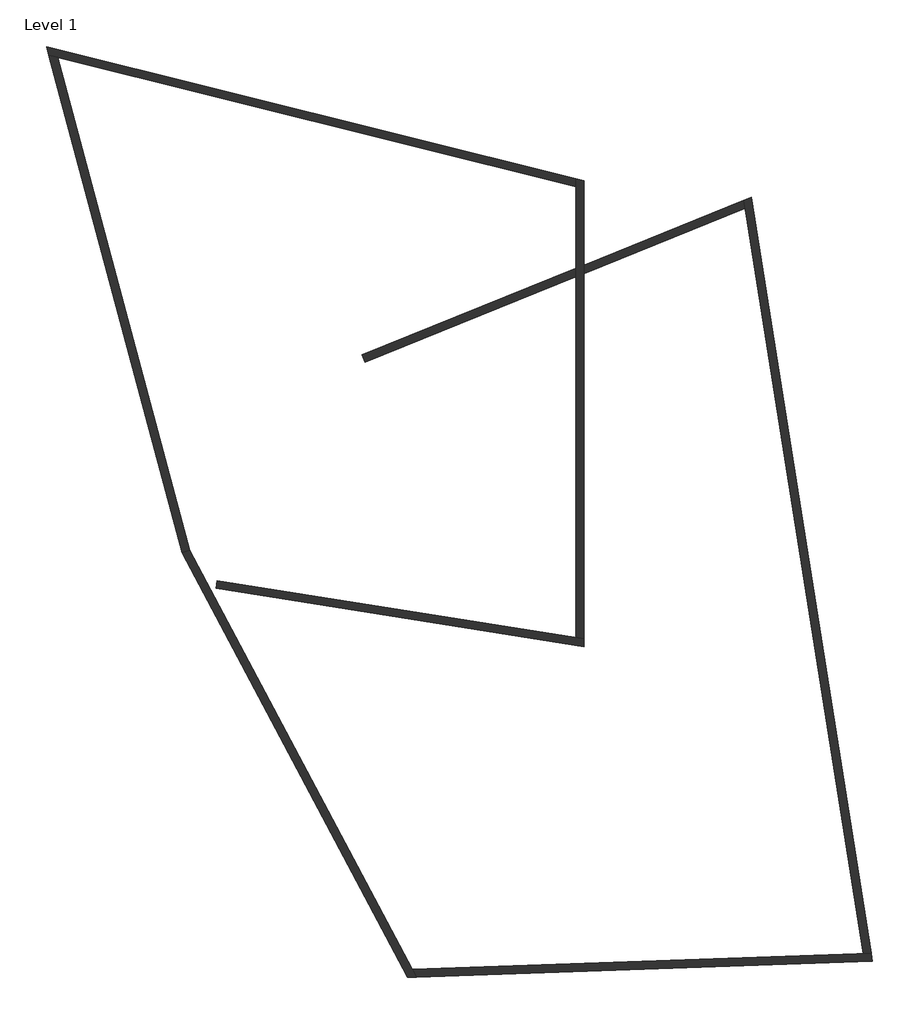
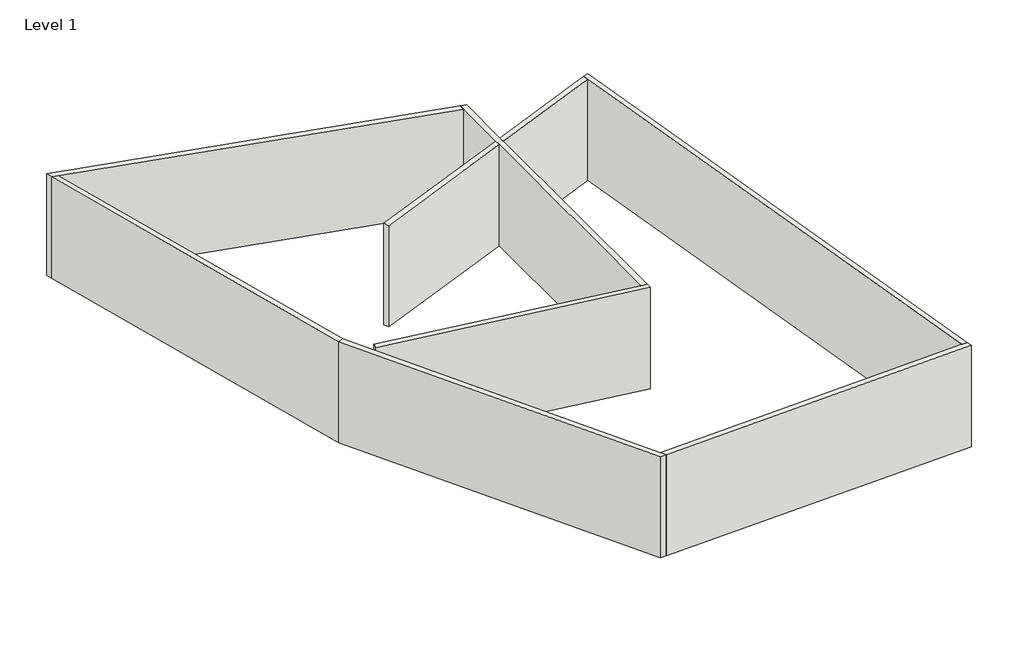
# One storey: 8 walls.
"""IFC4 building model written with IfcOpenShell, lengths in millimetres."""

from ifc_helpers import new_model, si_unit, origin, origin_with_axes, place, context, project, spatial, polyline, outline, extrude, faceted_brep, element, save

model = new_model("IFC4")

# Units and contexts
model_context = context("Model", 3, world=origin())
ifc_project = project(units=[si_unit("LENGTHUNIT", "METRE", prefix="MILLI")], contexts=[model_context])

# Site, building, storey
site = spatial("IfcSite", under=ifc_project)
building = spatial("IfcBuilding", under=site)
storey = spatial("IfcBuildingStorey", under=building, Name="Level 1", Elevation=0.0)

# Walls
placement = place(None, origin())
element("IfcWall", 1, ObjectType="Wall 1", at=placement, inside=storey, context=model_context, shape_type="Brep", body=[
    faceted_brep([(5639.6378853, 14082.7919394, 0.0), (15039.5517334, 12593.9918455, 0.0), (15039.5517334, 12593.9918455, 4000.0), (5639.6378853, 14082.7919394, 4000.0), (5670.9247783, 14280.3296075, 0.0), (5670.9247783, 14280.3296075, 4000.0), (14839.5517334, 12828.1617587, 4000.0), (15039.5517334, 12796.4848706, 4000.0), (15039.5517334, 12796.4848706, 0.0), (14839.5517334, 12828.1617587, 0.0)], [[[0, 1, 2, 3]], [[4, 5, 6, 7, 8, 9]], [[1, 0, 4, 9, 8]], [[3, 2, 7, 6, 5]], [[0, 3, 5, 4]], [[2, 1, 8, 7]]]),
])
element("IfcWall", 2, ObjectType="Wall 1", at=placement, inside=storey, context=model_context, shape_type="Brep", body=[
    faceted_brep([(15039.5517334, 12796.4848706, 0.0), (15039.5517334, 22115.3939533, 0.0), (15039.5517334, 22331.1009019, 0.0), (15039.5517334, 24489.2053647, 0.0), (15039.5517334, 24489.2053647, 4000.0), (15039.5517334, 22331.1009019, 4000.0), (15039.5517334, 22115.3939533, 4000.0), (15039.5517334, 12796.4848706, 4000.0), (14839.5517334, 12828.1617587, 0.0), (14839.5517334, 12828.1617587, 4000.0), (14839.5517334, 22034.5887082, 4000.0), (14839.5517334, 22250.2956567, 4000.0), (14839.5517334, 24332.9482394, 4000.0), (14839.5517334, 24539.0709653, 4000.0), (14839.5517334, 24539.0709653, 0.0), (14839.5517334, 24332.9482394, 0.0), (14839.5517334, 22250.2956567, 0.0), (14839.5517334, 22034.5887082, 0.0)], [[[0, 1, 2, 3, 4, 5, 6, 7]], [[8, 9, 10, 11, 12, 13, 14, 15, 16, 17]], [[3, 2, 1, 0, 8, 17, 16, 15, 14]], [[7, 6, 5, 4, 13, 12, 11, 10, 9]], [[0, 7, 9, 8]], [[4, 3, 14, 13]]]),
])
element("IfcWall", 3, ObjectType="Wall 1", at=placement, inside=storey, context=model_context, shape_type="Brep", body=[
    faceted_brep([(14839.5517334, 24539.0709653, 0.0), (1311.9098008, 27911.8909115, 0.0), (1311.9098008, 27911.8909115, 4000.0), (14839.5517334, 24539.0709653, 4000.0), (14839.5517334, 24332.9482394, 0.0), (14839.5517334, 24332.9482394, 4000.0), (1592.9724755, 27635.6913903, 4000.0), (1371.0941624, 27691.011867, 4000.0), (1371.0941624, 27691.011867, 0.0), (1592.9724755, 27635.6913903, 0.0)], [[[0, 1, 2, 3]], [[4, 5, 6, 7, 8, 9]], [[1, 0, 4, 9, 8]], [[3, 2, 7, 6, 5]], [[0, 3, 5, 4]], [[2, 1, 8, 7]]]),
])
element("IfcWall", 4, ObjectType="Wall 1", at=placement, inside=storey, context=model_context, shape_type="SweptSolid", body=[
    extrude(outline(polyline([(4775.2088214, 14986.6830047), (1371.0941624, 27691.011867), (1592.9724755, 27635.6913903), (4962.4962456, 15060.4574831), (4775.2088214, 14986.6830047)])), origin_with_axes(), (0.0, 0.0, 1.0), 4000.0),
])
element("IfcWall", 5, ObjectType="Wall 1", at=placement, inside=storey, context=model_context, shape_type="Brep", body=[
    faceted_brep([(4775.2088214, 14986.6830047, 0.0), (10537.4466793, 4149.4897657, 0.0), (10537.4466793, 4149.4897657, 4000.0), (4775.2088214, 14986.6830047, 4000.0), (4962.4962456, 15060.4574831, 0.0), (4962.4962456, 15060.4574831, 4000.0), (10655.3645197, 4353.7294563, 4000.0), (10759.831514, 4157.2556153, 4000.0), (10759.831514, 4157.2556153, 0.0), (10655.3645197, 4353.7294563, 0.0)], [[[0, 1, 2, 3]], [[4, 5, 6, 7, 8, 9]], [[1, 0, 4, 9, 8]], [[3, 2, 7, 6, 5]], [[0, 3, 5, 4]], [[2, 1, 8, 7]]]),
])
element("IfcWall", 6, ObjectType="Wall 1", at=placement, inside=storey, context=model_context, shape_type="Brep", body=[
    faceted_brep([(10759.831514, 4157.2556153, 0.0), (22405.7288095, 4563.9393102, 0.0), (22405.7288095, 4563.9393102, 4000.0), (10759.831514, 4157.2556153, 4000.0), (10655.3645197, 4353.7294563, 0.0), (10655.3645197, 4353.7294563, 4000.0), (22172.8277418, 4755.9281346, 4000.0), (22374.2069574, 4762.9604518, 4000.0), (22374.2069574, 4762.9604518, 0.0), (22172.8277418, 4755.9281346, 0.0)], [[[0, 1, 2, 3]], [[4, 5, 6, 7, 8, 9]], [[1, 0, 4, 9, 8]], [[3, 2, 7, 6, 5]], [[0, 3, 5, 4]], [[2, 1, 8, 7]]]),
])
element("IfcWall", 7, ObjectType="Wall 1", at=placement, inside=storey, context=model_context, shape_type="Brep", body=[
    faceted_brep([(22374.2069574, 4762.9604518, 0.0), (19317.9085338, 24059.6692527, 0.0), (19317.9085338, 24059.6692527, 4000.0), (22374.2069574, 4762.9604518, 4000.0), (22172.8277418, 4755.9281346, 0.0), (22172.8277418, 4755.9281346, 4000.0), (19159.7038809, 23780.0434754, 4000.0), (19127.5940141, 23982.7771956, 4000.0), (19127.5940141, 23982.7771956, 0.0), (19159.7038809, 23780.0434754, 0.0)], [[[0, 1, 2, 3]], [[4, 5, 6, 7, 8, 9]], [[1, 0, 4, 9, 8]], [[3, 2, 7, 6, 5]], [[0, 3, 5, 4]], [[2, 1, 8, 7]]]),
])
element("IfcWall", 8, ObjectType="Wall 1", at=placement, inside=storey, context=model_context, shape_type="SweptSolid", body=[
    extrude(outline(polyline([(9448.1180083, 19856.3080884), (9373.1966896, 20041.7448593), (14839.5517334, 22250.2956567), (14839.5517334, 22034.5887082), (9448.1180083, 19856.3080884)])), origin_with_axes(), (0.0, 0.0, 1.0), 4000.0),
    extrude(outline(polyline([(19127.5940141, 23982.7771956), (19159.7038809, 23780.0434754), (15039.5517334, 22115.3939533), (15039.5517334, 22331.1009019), (19127.5940141, 23982.7771956)])), origin_with_axes(), (0.0, 0.0, 1.0), 4000.0),
])

save(model, "model.ifc")
